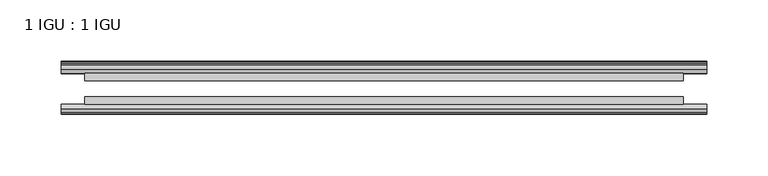
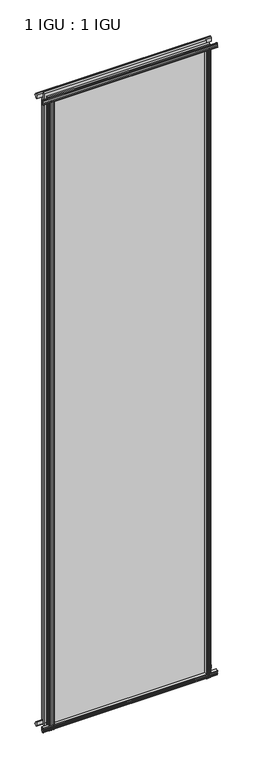
"""IFC4 building model written with IfcOpenShell, lengths in millimetres: plate geometry, 1 IGU : 1 IGU."""

from ifc_helpers import new_model, si_unit, point, frame, frame_2d, origin, place, context, project, spatial, polyline, circle_curve, trimmed, segment, composite_curve, outline, extrude, source, transform, mapped, element, save


def plate_1_igu_1_igu_1bd74fb1(model_context):
    return source(origin(), model_context, "Body", "SweptSolid", [
        extrude(outline(composite_curve([segment(polyline([(-46.2359545, 2001.8775265), (-46.2359545, 1990.8553092), (-53.3197108, 1992.2226185)]), True, "CONTINUOUS"), segment(trimmed(circle_curve(frame_2d((-53.1447545, 1993.2234413)), 1.016), [point((-53.3197108, 1992.2226185))], [point((-53.8888005, 1993.9152878))], False, "CARTESIAN"), True, "CONTINUOUS"), segment(polyline([(-53.8888005, 1993.9152878), (-52.5859205, 1993.7314413), (-52.5859205, 1999.1416413), (-54.0652165, 1999.4024811), (-52.5859205, 2001.9864413), (-52.5859205, 2005.1614413)]), True, "CONTINUOUS"), segment(trimmed(circle_curve(frame_2d((-51.3159205, 2005.1614413)), 1.27), [point((-52.5859205, 2005.1614413))], [point((-50.4178949, 2006.059467))], False, "CARTESIAN"), True, "CONTINUOUS"), segment(polyline([(-50.4178949, 2006.059467), (-46.2359545, 2001.8775265)]), True, "CONTINUOUS")], self_intersect=False)), frame((-263.5141462, 0.0, 0.0), z_axis=(1.0, 0.0, 0.0), x_axis=(0.0, 1.0, 0.0)), (0.0, 0.0, 1.0), 527.0282924),
        extrude(outline(polyline([(-17.4323375, 2006.3139519), (-14.4859375, 2006.3139519), (-14.4859375, 2001.8689519), (-12.1057405, 2001.4879519), (-12.5656738, 2002.903481), (-11.7644596, 2002.903481), (-11.0569375, 2000.7259519), (-11.7644596, 1998.5484229), (-12.5656738, 1998.5484229), (-12.1057405, 1999.9639519), (-14.4859375, 1999.5829519), (-14.4859375, 1994.3759519), (-20.8359545, 1992.6582293), (-20.8359545, 2003.4795957), (-17.4323375, 2006.3139519)])), frame((-263.5141462, 0.0, 0.0), z_axis=(1.0, 0.0, 0.0), x_axis=(0.0, 1.0, 0.0)), (0.0, 0.0, 1.0), 527.0282924),
        extrude(outline(polyline([(-20.8359545, 1.2049602), (-14.4859375, -0.5127625), (-14.4859375, -5.7197625), (-12.1057405, -6.1007625), (-12.5656738, -4.6852334), (-11.7644596, -4.6852334), (-11.0569375, -6.8627625), (-11.7644596, -9.0402916), (-12.5656738, -9.0402916), (-12.1057405, -7.6247625), (-14.4859375, -8.0057625), (-14.4859375, -12.4507625), (-17.4323375, -12.4507625), (-20.8359545, -9.6164062), (-20.8359545, 1.2049602)])), frame((-263.5141462, 0.0, 0.0), z_axis=(1.0, 0.0, 0.0), x_axis=(0.0, 1.0, 0.0)), (0.0, 0.0, 1.0), 527.0282924),
        extrude(outline(composite_curve([segment(polyline([(-53.3197108, 1.6405709), (-46.2359545, 3.0078803), (-46.2359545, -8.014337), (-50.4178949, -12.1962775)]), True, "CONTINUOUS"), segment(trimmed(circle_curve(frame_2d((-51.3159205, -11.2982519)), 1.27), [point((-50.4178949, -12.1962775))], [point((-52.5859205, -11.2982519))], False, "CARTESIAN"), True, "CONTINUOUS"), segment(polyline([(-52.5859205, -11.2982519), (-52.5859205, -8.1232519), (-54.0652165, -5.5392917), (-52.5859205, -5.2784519), (-52.5859205, 0.1317481), (-53.8888005, -0.0520983)]), True, "CONTINUOUS"), segment(trimmed(circle_curve(frame_2d((-53.1447545, 0.6397481)), 1.016), [point((-53.8888005, -0.0520983))], [point((-53.3197108, 1.6405709))], False, "CARTESIAN"), True, "CONTINUOUS")], self_intersect=False)), frame((-263.5141462, 0.0, 0.0), z_axis=(1.0, 0.0, 0.0), x_axis=(0.0, 1.0, 0.0)), (0.0, 0.0, 1.0), 527.0282924),
        extrude(outline(polyline([(-239.4136265, -12.1057405), (-240.8291555, -12.5656738), (-240.8291555, -11.7644596), (-238.6516265, -11.0569375), (-236.4740974, -11.7644596), (-236.4740974, -12.5656738), (-237.8896265, -12.1057405), (-237.5086265, -14.4859375), (-232.3016265, -14.4859375), (-230.5839084, -20.8359375), (-241.4052843, -20.8359375), (-244.2396265, -17.4323375), (-244.2396265, -14.4859375), (-239.7946265, -14.4859375), (-239.4136265, -12.1057405)])), frame((0.0, 0.0, -12.6752823), z_axis=(0.0, 0.0, 1.0), x_axis=(1.0, 0.0, 0.0)), (0.0, 0.0, 1.0), 2006.5384717),
        extrude(outline(composite_curve([segment(polyline([(-239.803184, -46.2359375), (-228.7809804, -46.2359375), (-230.1482931, -53.3197108)]), True, "CONTINUOUS"), segment(trimmed(circle_curve(frame_2d((-231.1491159, -53.1447545)), 1.016), [point((-230.1482931, -53.3197108))], [point((-231.8409623, -53.8888005))], False, "CARTESIAN"), True, "CONTINUOUS"), segment(polyline([(-231.8409623, -53.8888005), (-231.6571159, -52.5859205), (-237.0673159, -52.5859205), (-237.3281557, -54.0652165), (-239.9121159, -52.5859205), (-243.0871159, -52.5859205)]), True, "CONTINUOUS"), segment(trimmed(circle_curve(frame_2d((-243.0871159, -51.3159205)), 1.27), [point((-243.0871159, -52.5859205))], [point((-243.9851415, -50.4178949))], False, "CARTESIAN"), True, "CONTINUOUS"), segment(polyline([(-243.9851415, -50.4178949), (-239.803184, -46.2359375)]), True, "CONTINUOUS")], self_intersect=False)), frame((0.0, 0.0, -12.6752823), z_axis=(0.0, 0.0, 1.0), x_axis=(1.0, 0.0, 0.0)), (0.0, 0.0, 1.0), 2006.5384717),
        extrude(outline(composite_curve([segment(polyline([(230.1482931, -53.3197108), (228.7809804, -46.2359375), (239.803184, -46.2359375), (243.9851415, -50.4178949)]), True, "CONTINUOUS"), segment(trimmed(circle_curve(frame_2d((243.0871159, -51.3159205)), 1.27), [point((243.9851415, -50.4178949))], [point((243.0871159, -52.5859205))], False, "CARTESIAN"), True, "CONTINUOUS"), segment(polyline([(243.0871159, -52.5859205), (239.9121159, -52.5859205), (237.3281557, -54.0652165), (237.0673159, -52.5859205), (231.6571159, -52.5859205), (231.8800793, -53.8504091)]), True, "CONTINUOUS"), segment(trimmed(circle_curve(frame_2d((231.1491159, -53.1447545)), 1.016), [point((231.8800793, -53.8504091))], [point((230.1482931, -53.3197108))], False, "CARTESIAN"), True, "CONTINUOUS")], self_intersect=False)), frame((0.0, 0.0, -12.6752823), z_axis=(0.0, 0.0, 1.0), x_axis=(1.0, 0.0, 0.0)), (0.0, 0.0, 1.0), 2006.5384717),
        extrude(outline(polyline([(236.4740974, -11.7644596), (238.6516265, -11.0569375), (240.8291555, -11.7644596), (240.8291555, -12.5656738), (239.4136265, -12.1057405), (239.7946265, -14.4859375), (244.2396265, -14.4859375), (244.2396265, -17.4323375), (241.4052843, -20.8359375), (230.5839084, -20.8359375), (232.3016265, -14.4859375), (237.5086265, -14.4859375), (237.8896265, -12.1057405), (236.4740974, -12.5656738), (236.4740974, -11.7644596)])), frame((0.0, 0.0, -12.6752823), z_axis=(0.0, 0.0, 1.0), x_axis=(1.0, 0.0, 0.0)), (0.0, 0.0, 1.0), 2006.5384717),
        extrude(outline(polyline([(244.4641462, -20.8359375), (244.4641462, -27.1859375), (-244.4641462, -27.1859375), (-244.4641462, -20.8359375), (244.4641462, -20.8359375)])), frame((0.0, 0.0, -12.6752823), z_axis=(0.0, 0.0, 1.0), x_axis=(1.0, 0.0, 0.0)), (0.0, 0.0, 1.0), 2019.213754),
        extrude(outline(polyline([(-244.4641462, -46.2359375), (-244.4641462, -39.8859375), (244.4641462, -39.8859375), (244.4641462, -46.2359375), (-244.4641462, -46.2359375)])), frame((0.0, 0.0, -12.6752823), z_axis=(0.0, 0.0, 1.0), x_axis=(1.0, 0.0, 0.0)), (0.0, 0.0, 1.0), 2019.213754),
    ])


if __name__ == "__main__":
    model = new_model("IFC4")
    model_context = context("Model", 3, world=origin())
    ifc_project = project(units=[si_unit("LENGTHUNIT", "METRE", prefix="MILLI")], contexts=[model_context])
    site = spatial("IfcSite", under=ifc_project)
    building = spatial("IfcBuilding", under=site)
    placement = place(None, origin())
    plate_1_igu_1_igu_shape = plate_1_igu_1_igu_1bd74fb1(model_context)
    element("IfcPlate", 1, ObjectType="1 IGU : 1 IGU", at=placement, inside=building, context=model_context, shape_type="MappedRepresentation", body=[
        mapped(plate_1_igu_1_igu_shape, transform((0.0, 0.0, 0.0), x_axis=(1.0, 0.0, 0.0), y_axis=(0.0, 1.0, 0.0), z_axis=(0.0, 0.0, 1.0))),
    ])
    save(model, "model.ifc")
